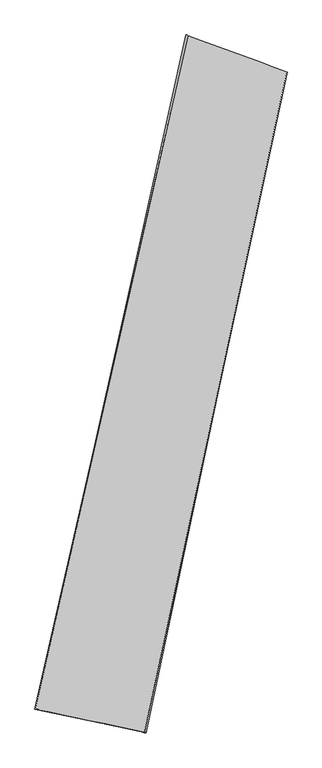
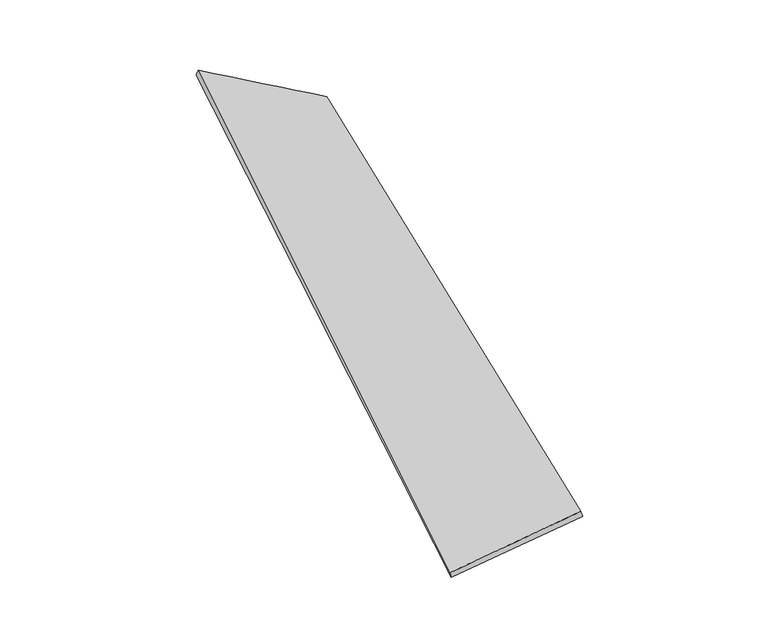
"""IFC4 building model written with IfcOpenShell, lengths in millimetres: proxy geometry."""

import ifcopenshell
import ifcopenshell.guid

model = None  # the IFC model being written
_history = None  # IfcOwnerHistory: only IFC2X3 demands one
_inside = {}  # id of a spatial element -> (the spatial element, [elements in it])
_under = {}  # id of a project, library or spatial element -> (it, [spatial elements below it])
_declared = {}  # id of a project -> (the project, [libraries it declares])
_typed = {}  # id of a type object -> (the type object, [elements of that type])
_made_of = {}  # id of a material, layer set ... -> (it, [elements and type objects made of it])


def new_model(schema):
    """Start an empty IFC model of exactly this schema.

    Asked for "IFC4X3", IfcOpenShell would pick the latest addendum, in which some entities
    have other attributes; the version numbers below select the first issue.
    IFC2X3 requires an IfcOwnerHistory on every rooted entity: one is made here for all.
    """
    global model, _history
    if schema == "IFC4X3":
        model = ifcopenshell.file(schema_version=(4, 3, 0, 0))
    else:
        model = ifcopenshell.file(schema=schema)
    _inside.clear()
    _under.clear()
    _declared.clear()
    _typed.clear()
    _made_of.clear()
    _history = None
    if model.schema == "IFC2X3":
        org = make("IfcOrganization", Name="unknown")
        user = make(
            "IfcPersonAndOrganization",
            ThePerson=make("IfcPerson", FamilyName="unknown"),
            TheOrganization=org,
        )
        app = make(
            "IfcApplication",
            ApplicationDeveloper=org,
            Version="unknown",
            ApplicationFullName="unknown",
            ApplicationIdentifier="unknown",
        )
        _history = make(
            "IfcOwnerHistory",
            OwningUser=user,
            OwningApplication=app,
            ChangeAction="ADDED",
            CreationDate=0,
        )
    return model


def make(cls, **values):
    """One entity of the class cls with the attributes given. An attribute that is None is left unset."""
    return model.create_entity(
        cls, **{name: value for name, value in values.items() if value is not None}
    )


def rooted(cls, **values):
    """An entity with a GlobalId (a new one), such as an element, a storey or a relation."""
    return make(cls, GlobalId=ifcopenshell.guid.new(), OwnerHistory=_history, **values)


def si_unit(unit_type, name, prefix=None):
    """IfcSIUnit, for example si_unit("LENGTHUNIT", "METRE", prefix="MILLI")."""
    return make("IfcSIUnit", UnitType=unit_type, Prefix=prefix, Name=name)


def assignment(units):
    """IfcUnitAssignment: the units of a project."""
    return None if units is None else make("IfcUnitAssignment", Units=units)


def point(xyz):
    """IfcCartesianPoint."""
    return None if xyz is None else make("IfcCartesianPoint", Coordinates=xyz)


def direction(xyz):
    """IfcDirection."""
    return None if xyz is None else make("IfcDirection", DirectionRatios=xyz)


def frame(location, z_axis=None, x_axis=None):
    """IfcAxis2Placement3D, a coordinate frame: its origin and axes. An axis left out is left unset."""
    return make(
        "IfcAxis2Placement3D",
        Location=point(location),
        Axis=direction(z_axis),
        RefDirection=direction(x_axis),
    )


def origin():
    """The frame at (0, 0, 0) with its axes left unset."""
    return frame((0.0, 0.0, 0.0))


def place(relative_to, where):
    """IfcLocalPlacement: puts the frame where relative to a parent placement (None: the world)."""
    return make(
        "IfcLocalPlacement", PlacementRelTo=relative_to, RelativePlacement=where
    )


def context(
    kind, dimensions, precision=None, world=None, true_north=None, identifier=None
):
    """IfcGeometricRepresentationContext, for example the 3D "Model" context."""
    return make(
        "IfcGeometricRepresentationContext",
        ContextIdentifier=identifier,
        ContextType=kind,
        CoordinateSpaceDimension=dimensions,
        Precision=precision,
        WorldCoordinateSystem=world,
        TrueNorth=true_north,
    )


def project(units=None, contexts=None):
    """IfcProject with its units and contexts."""
    return rooted(
        "IfcProject",
        Name="project",
        RepresentationContexts=contexts,
        UnitsInContext=assignment(units),
    )


def spatial(cls, under=None, at=None, **own):
    """A site, building, storey or space (cls), placed at a placement, below another one or the project."""
    s = rooted(cls, ObjectPlacement=at, **own)
    if under is not None:
        _under.setdefault(under.id(), (under, []))[1].append(s)
    return s


def shape(context_of_items, identifier, shape_type, items):
    """IfcShapeRepresentation: the items that make up one representation, for example the "Body"."""
    return make(
        "IfcShapeRepresentation",
        ContextOfItems=context_of_items,
        RepresentationIdentifier=identifier,
        RepresentationType=shape_type,
        Items=items,
    )


def source(mapping_origin, context_of_items, identifier, shape_type, items):
    """IfcRepresentationMap: a shape defined once, which mapped items show again and again."""
    return make(
        "IfcRepresentationMap",
        MappingOrigin=mapping_origin,
        MappedRepresentation=shape(context_of_items, identifier, shape_type, items),
    )


def transform(
    local_origin,
    x_axis=None,
    y_axis=None,
    z_axis=None,
    scale=None,
    scale2=None,
    scale3=None,
    uniform=True,
):
    """IfcCartesianTransformationOperator3D, or its non-uniform kind. x_axis, y_axis, z_axis: its Axis1, 2, 3."""
    if uniform:
        return make(
            "IfcCartesianTransformationOperator3D",
            Axis1=direction(x_axis),
            Axis2=direction(y_axis),
            LocalOrigin=point(local_origin),
            Scale=scale,
            Axis3=direction(z_axis),
        )
    return make(
        "IfcCartesianTransformationOperator3DnonUniform",
        Axis1=direction(x_axis),
        Axis2=direction(y_axis),
        LocalOrigin=point(local_origin),
        Scale=scale,
        Axis3=direction(z_axis),
        Scale2=scale2,
        Scale3=scale3,
    )


def mapped(mapping_source, mapping_target):
    """IfcMappedItem: shows the shape of a source again, moved by a transform."""
    return make(
        "IfcMappedItem", MappingSource=mapping_source, MappingTarget=mapping_target
    )


def made_of(thing, what):
    """Note that an element or type object is made of a material, layer set ...; save() writes the relation."""
    if what is not None:
        _made_of.setdefault(what.id(), (what, []))[1].append(thing)
    return thing


def element(
    cls,
    number,
    at=None,
    inside=None,
    cuts=None,
    type_object=None,
    material=None,
    context=None,
    identifier="Body",
    shape_type=None,
    held_by="IfcProductDefinitionShape",
    body=None,
    shapes=None,
    **own,
):
    """One element of the class cls, such as IfcWall. Its Tag is "e" and its number.

    at: its placement. inside: the storey or other place that contains it. cuts: it is an
    opening in that element (IfcRelVoidsElement). A single representation is given by context,
    identifier, shape_type and body (its items); several are given by shapes. held_by: the class
    of the entity that holds the representations. save() writes the other relations.
    """
    e = rooted(cls, Tag="e%d" % number, ObjectPlacement=at, **own)
    if body is not None:
        shapes = [shape(context, identifier, shape_type, body)]
    if shapes is not None:
        e.Representation = make(held_by, Representations=shapes)
    if inside is not None:
        _inside.setdefault(inside.id(), (inside, []))[1].append(e)
    if cuts is not None:
        rooted(
            "IfcRelVoidsElement", RelatingBuildingElement=cuts, RelatedOpeningElement=e
        )
    if type_object is not None:
        _typed.setdefault(type_object.id(), (type_object, []))[1].append(e)
    return made_of(e, material)


def aggregate(whole, parts):
    """IfcRelAggregates: a whole, such as a stair, and the parts it consists of."""
    return rooted("IfcRelAggregates", RelatingObject=whole, RelatedObjects=parts)


def save(model, path):
    """Write the relations noted so far, then the file.

    IfcRelAggregates (storeys below a building ...), IfcRelContainedInSpatialStructure (elements
    in a storey), IfcRelDefinesByType, IfcRelAssociatesMaterial and IfcRelDeclares: one each for
    every whole, place, type object, material and project.
    """
    for whole, parts in _under.values():
        aggregate(whole, parts)
    for where, things in _inside.values():
        rooted(
            "IfcRelContainedInSpatialStructure",
            RelatedElements=things,
            RelatingStructure=where,
        )
    for kind, things in _typed.values():
        rooted("IfcRelDefinesByType", RelatedObjects=things, RelatingType=kind)
    for what, things in _made_of.values():
        rooted("IfcRelAssociatesMaterial", RelatedObjects=things, RelatingMaterial=what)
    for by, libraries in _declared.values():
        rooted("IfcRelDeclares", RelatingContext=by, RelatedDefinitions=libraries)
    model.write(path)


def spline_surface(u_degree, v_degree, points, u_multiplicities, v_multiplicities, u_knots, v_knots, weights=None):
    """IfcBSplineSurfaceWithKnots; with weights, IfcRationalBSplineSurfaceWithKnots. points: one row for each step in u."""
    own = dict(
        UDegree=u_degree,
        VDegree=v_degree,
        ControlPointsList=[[point(p) for p in row] for row in points],
        SurfaceForm="UNSPECIFIED",
        UClosed=False,
        VClosed=False,
        SelfIntersect=False,
        UMultiplicities=u_multiplicities,
        VMultiplicities=v_multiplicities,
        UKnots=u_knots,
        VKnots=v_knots,
        KnotSpec="UNSPECIFIED",
    )
    if weights is None:
        return make("IfcBSplineSurfaceWithKnots", **own)
    return make("IfcRationalBSplineSurfaceWithKnots", WeightsData=weights, **own)


def advanced_brep(points, edges, surfaces, faces):
    """IfcAdvancedBrep: a solid bounded by faces that lie on surfaces and meet in shared edges.

    An edge is (start, end): straight between two places in points (the first is 0);
    or (start, end, curve); or (start, end, curve, False) where it runs against its curve.
    A face is (place in surfaces, loops), or (place, loops, False) where it looks against
    its surface's normal. A loop lists edges by number (the first is 1), with a minus sign
    where the edge is run from its end to its start. The first loop is the outer one.
    """
    corners = [point(p) for p in points]
    vertices = [make("IfcVertexPoint", VertexGeometry=c) for c in corners]
    made = []
    for start, end, *more in edges:
        made.append(
            make(
                "IfcEdgeCurve",
                EdgeStart=vertices[start],
                EdgeEnd=vertices[end],
                EdgeGeometry=more[0] if more else make("IfcPolyline", Points=[corners[start], corners[end]]),
                SameSense=more[1] if len(more) > 1 else True,
            )
        )
    hull = []
    for where, loops, *sense in faces:
        bounds = []
        for j, loop in enumerate(loops):
            ring = [make("IfcOrientedEdge", EdgeElement=made[abs(k) - 1], Orientation=k > 0) for k in loop]
            bounds.append(
                make(
                    "IfcFaceOuterBound" if j == 0 else "IfcFaceBound",
                    Bound=make("IfcEdgeLoop", EdgeList=ring),
                    Orientation=True,
                )
            )
        hull.append(make("IfcAdvancedFace", Bounds=bounds, FaceSurface=surfaces[where], SameSense=sense[0] if sense else True))
    return make("IfcAdvancedBrep", Outer=make("IfcClosedShell", CfsFaces=hull))


def generic_models_a0b25ee9(model_context):
    return source(origin(), model_context, "Body", "AdvancedBrep", [
        advanced_brep(
        [(-687.666349, -1742.088084, -107.656321), (-697.3783548, -1741.4930653, -79.2781094), (220.5280195, 2299.7663153, 142.8924698), (210.4581731, 2303.54237, 114.8864061), (-38.4727788, -1879.0814416, 138.916324), (817.5436204, 2080.5006192, -89.3063683), (-30.1592593, -1882.4833988, 110.292696), (807.3674352, 2081.0291128, -117.5227811)],
        [
            (0, 1),
            (1, 2),
            (2, 3),
            (3, 0),
            (1, 4),
            (4, 5),
            (5, 2),
            (4, 6),
            (6, 7),
            (7, 5),
            (6, 0),
            (3, 7),
        ],
        [
            spline_surface(1, 1, [[(-687.666349, -1742.088084, -107.656321), (210.4581731, 2303.54237, 114.8864061)], [(-697.3783548, -1741.4930653, -79.2781094), (220.5280195, 2299.7663153, 142.8924698)]], [2, 2], [2, 2], [0.0, 1.0], [0.0, 1.0]),
            spline_surface(1, 1, [[(-697.3783548, -1741.4930653, -79.2781094), (220.5280195, 2299.7663153, 142.8924698)], [(-38.4727788, -1879.0814416, 138.916324), (817.5436204, 2080.5006192, -89.3063683)]], [2, 2], [2, 2], [0.0, 1.0], [0.0, 1.0]),
            spline_surface(1, 1, [[(-38.4727788, -1879.0814416, 138.916324), (817.5436204, 2080.5006192, -89.3063683)], [(-30.1592593, -1882.4833988, 110.292696), (807.3674352, 2081.0291128, -117.5227811)]], [2, 2], [2, 2], [0.0, 1.0], [0.0, 1.0]),
            spline_surface(1, 1, [[(-30.1592593, -1882.4833988, 110.292696), (807.3674352, 2081.0291128, -117.5227811)], [(-687.666349, -1742.088084, -107.656321), (210.4581731, 2303.54237, 114.8864061)]], [2, 2], [2, 2], [0.0, 1.0], [0.0, 1.0]),
            spline_surface(1, 1, [[(220.5280195, 2299.7663153, 142.8924698), (210.4581731, 2303.54237, 114.8864061)], [(817.5436204, 2080.5006192, -89.3063683), (807.3674352, 2081.0291128, -117.5227811)]], [2, 2], [2, 2], [0.0, 1.0], [0.0, 1.0]),
            spline_surface(1, 1, [[(-30.1592593, -1882.4833988, 110.292696), (-687.666349, -1742.088084, -107.656321)], [(-38.4727788, -1879.0814416, 138.916324), (-697.3783548, -1741.4930653, -79.2781094)]], [2, 2], [2, 2], [0.0, 1.0], [0.0, 1.0]),
        ],
        [
            (0, [[1, 2, 3, 4]]),
            (1, [[5, 6, 7, -2]]),
            (2, [[8, 9, 10, -6]]),
            (3, [[11, -4, 12, -9]]),
            (4, [[-3, -7, -10, -12]]),
            (5, [[-11, -8, -5, -1]]),
        ],
    ),
    ])


if __name__ == "__main__":
    model = new_model("IFC4")
    model_context = context("Model", 3, world=origin())
    ifc_project = project(units=[si_unit("LENGTHUNIT", "METRE", prefix="MILLI")], contexts=[model_context])
    site = spatial("IfcSite", under=ifc_project)
    building = spatial("IfcBuilding", under=site)
    placement = place(None, origin())
    generic_models_shape = generic_models_a0b25ee9(model_context)
    element("IfcBuildingElementProxy", 1, Name="Generic Models", at=placement, inside=building, context=model_context, shape_type="MappedRepresentation", body=[
        mapped(generic_models_shape, transform((0.0, 0.0, 0.0), x_axis=(1.0, 0.0, 0.0), y_axis=(0.0, 1.0, 0.0), z_axis=(0.0, 0.0, 1.0))),
    ])
    save(model, "model.ifc")
